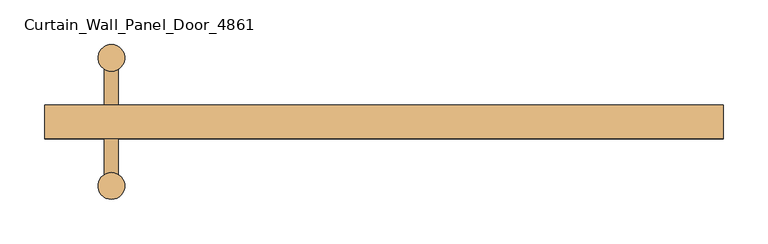
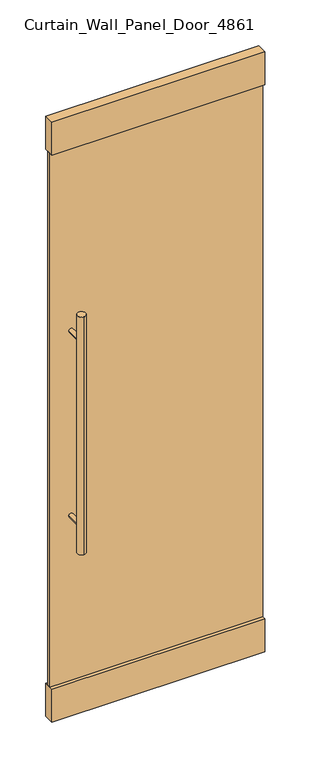
"""IFC4 building model written with IfcOpenShell, lengths in millimetres: door geometry, Curtain_Wall_Panel_Door_4861."""

import ifcopenshell
import ifcopenshell.guid

model = None  # the IFC model being written
_history = None  # IfcOwnerHistory: only IFC2X3 demands one
_inside = {}  # id of a spatial element -> (the spatial element, [elements in it])
_under = {}  # id of a project, library or spatial element -> (it, [spatial elements below it])
_declared = {}  # id of a project -> (the project, [libraries it declares])
_typed = {}  # id of a type object -> (the type object, [elements of that type])
_made_of = {}  # id of a material, layer set ... -> (it, [elements and type objects made of it])


def new_model(schema):
    """Start an empty IFC model of exactly this schema.

    Asked for "IFC4X3", IfcOpenShell would pick the latest addendum, in which some entities
    have other attributes; the version numbers below select the first issue.
    IFC2X3 requires an IfcOwnerHistory on every rooted entity: one is made here for all.
    """
    global model, _history
    if schema == "IFC4X3":
        model = ifcopenshell.file(schema_version=(4, 3, 0, 0))
    else:
        model = ifcopenshell.file(schema=schema)
    _inside.clear()
    _under.clear()
    _declared.clear()
    _typed.clear()
    _made_of.clear()
    _history = None
    if model.schema == "IFC2X3":
        org = make("IfcOrganization", Name="unknown")
        user = make(
            "IfcPersonAndOrganization",
            ThePerson=make("IfcPerson", FamilyName="unknown"),
            TheOrganization=org,
        )
        app = make(
            "IfcApplication",
            ApplicationDeveloper=org,
            Version="unknown",
            ApplicationFullName="unknown",
            ApplicationIdentifier="unknown",
        )
        _history = make(
            "IfcOwnerHistory",
            OwningUser=user,
            OwningApplication=app,
            ChangeAction="ADDED",
            CreationDate=0,
        )
    return model


def make(cls, **values):
    """One entity of the class cls with the attributes given. An attribute that is None is left unset."""
    return model.create_entity(
        cls, **{name: value for name, value in values.items() if value is not None}
    )


def rooted(cls, **values):
    """An entity with a GlobalId (a new one), such as an element, a storey or a relation."""
    return make(cls, GlobalId=ifcopenshell.guid.new(), OwnerHistory=_history, **values)


def si_unit(unit_type, name, prefix=None):
    """IfcSIUnit, for example si_unit("LENGTHUNIT", "METRE", prefix="MILLI")."""
    return make("IfcSIUnit", UnitType=unit_type, Prefix=prefix, Name=name)


def assignment(units):
    """IfcUnitAssignment: the units of a project."""
    return None if units is None else make("IfcUnitAssignment", Units=units)


def point(xyz):
    """IfcCartesianPoint."""
    return None if xyz is None else make("IfcCartesianPoint", Coordinates=xyz)


def direction(xyz):
    """IfcDirection."""
    return None if xyz is None else make("IfcDirection", DirectionRatios=xyz)


def frame(location, z_axis=None, x_axis=None):
    """IfcAxis2Placement3D, a coordinate frame: its origin and axes. An axis left out is left unset."""
    return make(
        "IfcAxis2Placement3D",
        Location=point(location),
        Axis=direction(z_axis),
        RefDirection=direction(x_axis),
    )


def frame_2d(location, x_axis=None):
    """IfcAxis2Placement2D, a coordinate frame in the plane: its origin and x axis."""
    return make(
        "IfcAxis2Placement2D", Location=point(location), RefDirection=direction(x_axis)
    )


def origin():
    """The frame at (0, 0, 0) with its axes left unset."""
    return frame((0.0, 0.0, 0.0))


def origin_with_axes():
    """The frame at (0, 0, 0) with the z axis (0, 0, 1) and the x axis (1, 0, 0) written out."""
    return frame((0.0, 0.0, 0.0), z_axis=(0.0, 0.0, 1.0), x_axis=(1.0, 0.0, 0.0))


def place(relative_to, where):
    """IfcLocalPlacement: puts the frame where relative to a parent placement (None: the world)."""
    return make(
        "IfcLocalPlacement", PlacementRelTo=relative_to, RelativePlacement=where
    )


def context(
    kind, dimensions, precision=None, world=None, true_north=None, identifier=None
):
    """IfcGeometricRepresentationContext, for example the 3D "Model" context."""
    return make(
        "IfcGeometricRepresentationContext",
        ContextIdentifier=identifier,
        ContextType=kind,
        CoordinateSpaceDimension=dimensions,
        Precision=precision,
        WorldCoordinateSystem=world,
        TrueNorth=true_north,
    )


def project(units=None, contexts=None):
    """IfcProject with its units and contexts."""
    return rooted(
        "IfcProject",
        Name="project",
        RepresentationContexts=contexts,
        UnitsInContext=assignment(units),
    )


def spatial(cls, under=None, at=None, **own):
    """A site, building, storey or space (cls), placed at a placement, below another one or the project."""
    s = rooted(cls, ObjectPlacement=at, **own)
    if under is not None:
        _under.setdefault(under.id(), (under, []))[1].append(s)
    return s


def polyline(points):
    """IfcPolyline through the points."""
    return make("IfcPolyline", Points=[point(p) for p in points])


def circle_curve(where, radius):
    """IfcCircle in the frame where."""
    return make("IfcCircle", Position=where, Radius=radius)


def trimmed(basis, trim1, trim2, sense, master):
    """IfcTrimmedCurve: the piece of a basis curve between two trims."""
    return make(
        "IfcTrimmedCurve",
        BasisCurve=basis,
        Trim1=trim1,
        Trim2=trim2,
        SenseAgreement=sense,
        MasterRepresentation=master,
    )


def segment(curve, same_sense, transition):
    """IfcCompositeCurveSegment."""
    return make(
        "IfcCompositeCurveSegment",
        Transition=transition,
        SameSense=same_sense,
        ParentCurve=curve,
    )


def composite_curve(segments, self_intersect=None):
    """IfcCompositeCurve: segments joined end to end."""
    return make("IfcCompositeCurve", Segments=segments, SelfIntersect=self_intersect)


def outline(outer, holes=None, kind="AREA"):
    """IfcArbitraryClosedProfileDef: a profile drawn as a closed curve; with holes, ...WithVoids."""
    if holes is None:
        return make("IfcArbitraryClosedProfileDef", ProfileType=kind, OuterCurve=outer)
    return make(
        "IfcArbitraryProfileDefWithVoids",
        ProfileType=kind,
        OuterCurve=outer,
        InnerCurves=holes,
    )


def extrude(swept, where, along, depth):
    """IfcExtrudedAreaSolid: the profile swept, set in the frame where, extruded along a direction by depth."""
    return make(
        "IfcExtrudedAreaSolid",
        SweptArea=swept,
        Position=where,
        ExtrudedDirection=direction(along),
        Depth=depth,
    )


def shape(context_of_items, identifier, shape_type, items):
    """IfcShapeRepresentation: the items that make up one representation, for example the "Body"."""
    return make(
        "IfcShapeRepresentation",
        ContextOfItems=context_of_items,
        RepresentationIdentifier=identifier,
        RepresentationType=shape_type,
        Items=items,
    )


def source(mapping_origin, context_of_items, identifier, shape_type, items):
    """IfcRepresentationMap: a shape defined once, which mapped items show again and again."""
    return make(
        "IfcRepresentationMap",
        MappingOrigin=mapping_origin,
        MappedRepresentation=shape(context_of_items, identifier, shape_type, items),
    )


def transform(
    local_origin,
    x_axis=None,
    y_axis=None,
    z_axis=None,
    scale=None,
    scale2=None,
    scale3=None,
    uniform=True,
):
    """IfcCartesianTransformationOperator3D, or its non-uniform kind. x_axis, y_axis, z_axis: its Axis1, 2, 3."""
    if uniform:
        return make(
            "IfcCartesianTransformationOperator3D",
            Axis1=direction(x_axis),
            Axis2=direction(y_axis),
            LocalOrigin=point(local_origin),
            Scale=scale,
            Axis3=direction(z_axis),
        )
    return make(
        "IfcCartesianTransformationOperator3DnonUniform",
        Axis1=direction(x_axis),
        Axis2=direction(y_axis),
        LocalOrigin=point(local_origin),
        Scale=scale,
        Axis3=direction(z_axis),
        Scale2=scale2,
        Scale3=scale3,
    )


def mapped(mapping_source, mapping_target):
    """IfcMappedItem: shows the shape of a source again, moved by a transform."""
    return make(
        "IfcMappedItem", MappingSource=mapping_source, MappingTarget=mapping_target
    )


def made_of(thing, what):
    """Note that an element or type object is made of a material, layer set ...; save() writes the relation."""
    if what is not None:
        _made_of.setdefault(what.id(), (what, []))[1].append(thing)
    return thing


def element(
    cls,
    number,
    at=None,
    inside=None,
    cuts=None,
    type_object=None,
    material=None,
    context=None,
    identifier="Body",
    shape_type=None,
    held_by="IfcProductDefinitionShape",
    body=None,
    shapes=None,
    **own,
):
    """One element of the class cls, such as IfcWall. Its Tag is "e" and its number.

    at: its placement. inside: the storey or other place that contains it. cuts: it is an
    opening in that element (IfcRelVoidsElement). A single representation is given by context,
    identifier, shape_type and body (its items); several are given by shapes. held_by: the class
    of the entity that holds the representations. save() writes the other relations.
    """
    e = rooted(cls, Tag="e%d" % number, ObjectPlacement=at, **own)
    if body is not None:
        shapes = [shape(context, identifier, shape_type, body)]
    if shapes is not None:
        e.Representation = make(held_by, Representations=shapes)
    if inside is not None:
        _inside.setdefault(inside.id(), (inside, []))[1].append(e)
    if cuts is not None:
        rooted(
            "IfcRelVoidsElement", RelatingBuildingElement=cuts, RelatedOpeningElement=e
        )
    if type_object is not None:
        _typed.setdefault(type_object.id(), (type_object, []))[1].append(e)
    return made_of(e, material)


def aggregate(whole, parts):
    """IfcRelAggregates: a whole, such as a stair, and the parts it consists of."""
    return rooted("IfcRelAggregates", RelatingObject=whole, RelatedObjects=parts)


def save(model, path):
    """Write the relations noted so far, then the file.

    IfcRelAggregates (storeys below a building ...), IfcRelContainedInSpatialStructure (elements
    in a storey), IfcRelDefinesByType, IfcRelAssociatesMaterial and IfcRelDeclares: one each for
    every whole, place, type object, material and project.
    """
    for whole, parts in _under.values():
        aggregate(whole, parts)
    for where, things in _inside.values():
        rooted(
            "IfcRelContainedInSpatialStructure",
            RelatedElements=things,
            RelatingStructure=where,
        )
    for kind, things in _typed.values():
        rooted("IfcRelDefinesByType", RelatedObjects=things, RelatingType=kind)
    for what, things in _made_of.values():
        rooted("IfcRelAssociatesMaterial", RelatedObjects=things, RelatingMaterial=what)
    for by, libraries in _declared.values():
        rooted("IfcRelDeclares", RelatingContext=by, RelatedDefinitions=libraries)
    model.write(path)


def curtain_wall_panel_door_4861_ba4166fc(model_context):
    return source(origin(), model_context, "Body", "SweptSolid", [
        extrude(outline(polyline([(381.0, -50.0), (-381.0, -50.0), (-381.0, -38.0), (381.0, -38.0), (381.0, -50.0)])), frame((0.0, 0.0, 125.0), z_axis=(0.0, 0.0, 1.0), x_axis=(1.0, 0.0, 0.0)), (0.0, 0.0, 1.0), 2021.6164637),
        extrude(outline(composite_curve([segment(trimmed(circle_curve(frame_2d((-306.0, 28.0)), 15.0), [point((-306.0, 43.0))], [point((-306.0, 13.0))], False, "CARTESIAN"), True, "CONTINUOUS"), segment(trimmed(circle_curve(frame_2d((-306.0, 28.0)), 15.0), [point((-306.0, 13.0))], [point((-306.0, 43.0))], False, "CARTESIAN"), True, "CONTINUOUS")], self_intersect=False)), frame((0.0, 0.0, 650.0), z_axis=(0.0, 0.0, 1.0), x_axis=(1.0, 0.0, 0.0)), (0.0, 0.0, 1.0), 900.0),
        extrude(outline(composite_curve([segment(trimmed(circle_curve(frame_2d((-306.0, -116.0)), 15.0), [point((-306.0, -101.0))], [point((-306.0, -131.0))], False, "CARTESIAN"), True, "CONTINUOUS"), segment(trimmed(circle_curve(frame_2d((-306.0, -116.0)), 15.0), [point((-306.0, -131.0))], [point((-306.0, -101.0))], False, "CARTESIAN"), True, "CONTINUOUS")], self_intersect=False)), frame((0.0, 0.0, 650.0), z_axis=(0.0, 0.0, 1.0), x_axis=(1.0, 0.0, 0.0)), (0.0, 0.0, 1.0), 900.0),
        extrude(outline(polyline([(381.0, -25.0), (381.0, -63.0), (-381.0, -63.0), (-381.0, -25.0), (381.0, -25.0)])), origin_with_axes(), (0.0, 0.0, 1.0), 125.0),
        extrude(outline(polyline([(381.0, -25.0), (381.0, -63.0), (-381.0, -63.0), (-381.0, -25.0), (381.0, -25.0)])), frame((0.0, 0.0, 2146.6164637), z_axis=(0.0, 0.0, 1.0), x_axis=(1.0, 0.0, 0.0)), (0.0, 0.0, 1.0), 125.0),
        extrude(outline(composite_curve([segment(trimmed(circle_curve(frame_2d((1450.0, -306.0)), 8.0), [point((1450.0, -298.0))], [point((1450.0, -314.0))], False, "CARTESIAN"), True, "CONTINUOUS"), segment(trimmed(circle_curve(frame_2d((1450.0, -306.0)), 8.0), [point((1450.0, -314.0))], [point((1450.0, -298.0))], False, "CARTESIAN"), True, "CONTINUOUS")], self_intersect=False)), frame((0.0, -38.0, 0.0), z_axis=(0.0, 1.0, 0.0), x_axis=(0.0, 0.0, 1.0)), (0.0, 0.0, 1.0), 66.0),
        extrude(outline(composite_curve([segment(trimmed(circle_curve(frame_2d((1450.0, -306.0)), 8.0), [point((1450.0, -298.0))], [point((1450.0, -314.0))], False, "CARTESIAN"), True, "CONTINUOUS"), segment(trimmed(circle_curve(frame_2d((1450.0, -306.0)), 8.0), [point((1450.0, -314.0))], [point((1450.0, -298.0))], False, "CARTESIAN"), True, "CONTINUOUS")], self_intersect=False)), frame((0.0, -116.0, 0.0), z_axis=(0.0, 1.0, 0.0), x_axis=(0.0, 0.0, 1.0)), (0.0, 0.0, 1.0), 66.0),
        extrude(outline(composite_curve([segment(trimmed(circle_curve(frame_2d((750.0, -306.0)), 8.0), [point((750.0, -298.0))], [point((750.0, -314.0))], False, "CARTESIAN"), True, "CONTINUOUS"), segment(trimmed(circle_curve(frame_2d((750.0, -306.0)), 8.0), [point((750.0, -314.0))], [point((750.0, -298.0))], False, "CARTESIAN"), True, "CONTINUOUS")], self_intersect=False)), frame((0.0, -38.0, 0.0), z_axis=(0.0, 1.0, 0.0), x_axis=(0.0, 0.0, 1.0)), (0.0, 0.0, 1.0), 66.0),
        extrude(outline(composite_curve([segment(trimmed(circle_curve(frame_2d((750.0, -306.0)), 8.0), [point((750.0, -298.0))], [point((750.0, -314.0))], False, "CARTESIAN"), True, "CONTINUOUS"), segment(trimmed(circle_curve(frame_2d((750.0, -306.0)), 8.0), [point((750.0, -314.0))], [point((750.0, -298.0))], False, "CARTESIAN"), True, "CONTINUOUS")], self_intersect=False)), frame((0.0, -116.0, 0.0), z_axis=(0.0, 1.0, 0.0), x_axis=(0.0, 0.0, 1.0)), (0.0, 0.0, 1.0), 66.0),
    ])


if __name__ == "__main__":
    model = new_model("IFC4")
    model_context = context("Model", 3, world=origin())
    ifc_project = project(units=[si_unit("LENGTHUNIT", "METRE", prefix="MILLI")], contexts=[model_context])
    site = spatial("IfcSite", under=ifc_project)
    building = spatial("IfcBuilding", under=site)
    placement = place(None, origin())
    curtain_wall_panel_door_4861_shape = curtain_wall_panel_door_4861_ba4166fc(model_context)
    element("IfcDoor", 1, ObjectType="Curtain_Wall_Panel_Door_4861", at=placement, inside=building, context=model_context, shape_type="MappedRepresentation", body=[
        mapped(curtain_wall_panel_door_4861_shape, transform((0.0, 0.0, 0.0), x_axis=(1.0, 0.0, 0.0), y_axis=(0.0, 1.0, 0.0), z_axis=(0.0, 0.0, 1.0))),
    ])
    save(model, "model.ifc")
